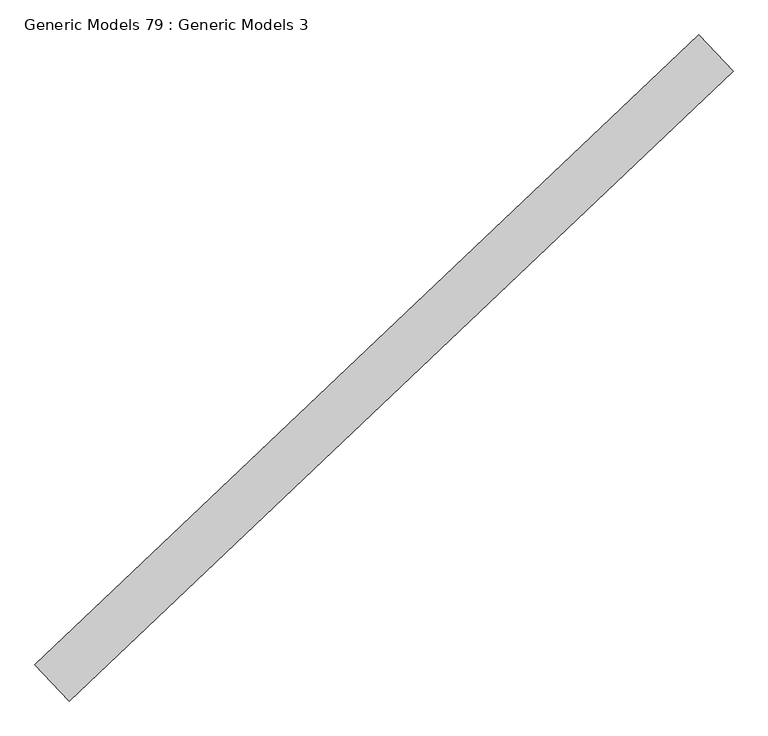
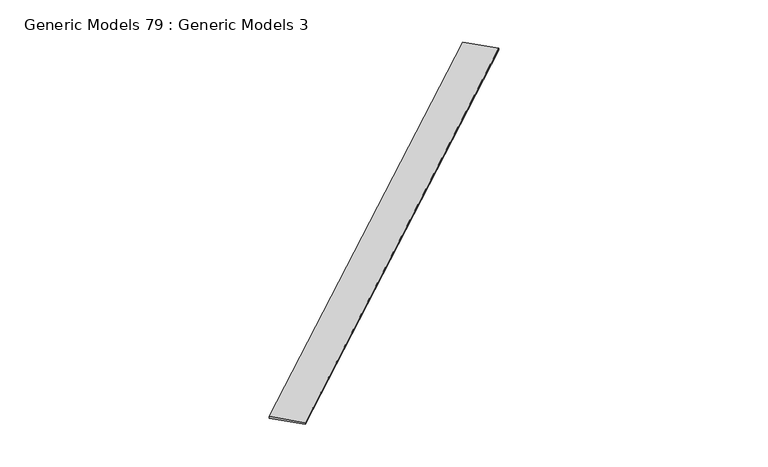
"""IFC4 building model written with IfcOpenShell, lengths in millimetres: proxy geometry, Generic Models 79 : Generic Models 3."""

from ifc_helpers import new_model, si_unit, frame, origin, place, context, project, spatial, polyline, outline, extrude, source, transform, mapped, element, save


def generic_models_79_generic_models_3_4f530cc4(model_context):
    return source(origin(), model_context, "Body", "SweptSolid", [
        extrude(outline(polyline([(111206.8168666, 51821.9473501), (111377.4144607, 51642.174996), (108090.9426636, 48523.4297111), (107920.3450695, 48703.2020652), (111206.8168666, 51821.9473501)])), frame((0.0, 0.0, 18565.7762824), z_axis=(0.0, 0.0, 1.0), x_axis=(1.0, 0.0, 0.0)), (0.0, 0.0, 1.0), 15.875),
    ])


if __name__ == "__main__":
    model = new_model("IFC4")
    model_context = context("Model", 3, world=origin())
    ifc_project = project(units=[si_unit("LENGTHUNIT", "METRE", prefix="MILLI")], contexts=[model_context])
    site = spatial("IfcSite", under=ifc_project)
    building = spatial("IfcBuilding", under=site)
    placement = place(None, origin())
    generic_models_79_generic_models_3_shape = generic_models_79_generic_models_3_4f530cc4(model_context)
    element("IfcBuildingElementProxy", 1, Name="Generic Models 79 : Generic Models 3", ObjectType="Generic Models 79 : Generic Models 3", at=placement, inside=building, context=model_context, shape_type="MappedRepresentation", body=[
        mapped(generic_models_79_generic_models_3_shape, transform((0.0, 0.0, 0.0), x_axis=(1.0, 0.0, 0.0), y_axis=(0.0, 1.0, 0.0), z_axis=(0.0, 0.0, 1.0))),
    ])
    save(model, "model.ifc")
